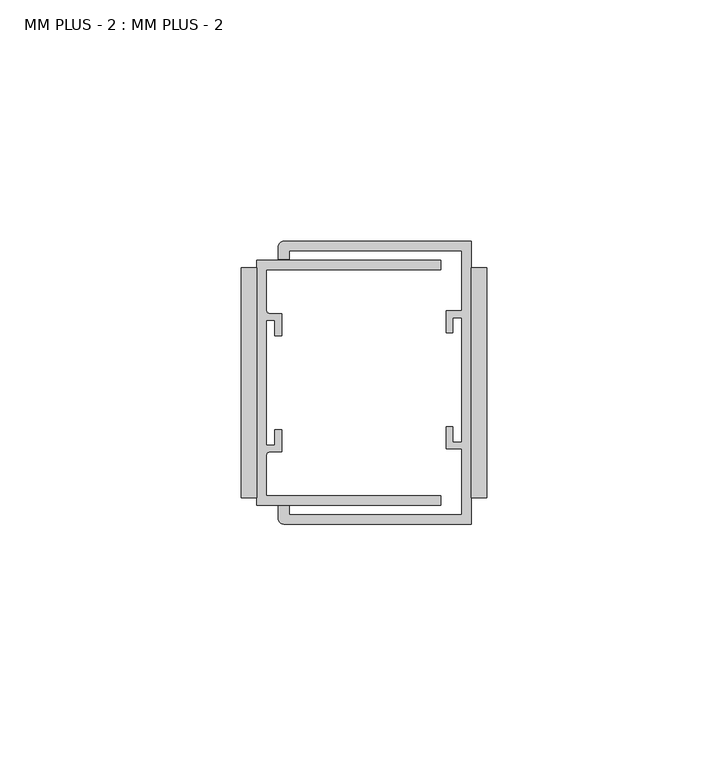
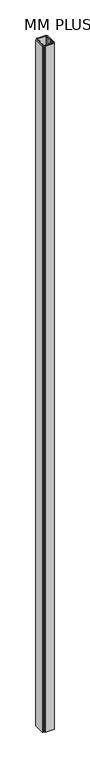
"""IFC4 building model written with IfcOpenShell, lengths in millimetres: proxy geometry, MM PLUS - 2 : MM PLUS - 2."""

import ifcopenshell
import ifcopenshell.guid

model = None  # the IFC model being written
_history = None  # IfcOwnerHistory: only IFC2X3 demands one
_inside = {}  # id of a spatial element -> (the spatial element, [elements in it])
_under = {}  # id of a project, library or spatial element -> (it, [spatial elements below it])
_declared = {}  # id of a project -> (the project, [libraries it declares])
_typed = {}  # id of a type object -> (the type object, [elements of that type])
_made_of = {}  # id of a material, layer set ... -> (it, [elements and type objects made of it])


def new_model(schema):
    """Start an empty IFC model of exactly this schema.

    Asked for "IFC4X3", IfcOpenShell would pick the latest addendum, in which some entities
    have other attributes; the version numbers below select the first issue.
    IFC2X3 requires an IfcOwnerHistory on every rooted entity: one is made here for all.
    """
    global model, _history
    if schema == "IFC4X3":
        model = ifcopenshell.file(schema_version=(4, 3, 0, 0))
    else:
        model = ifcopenshell.file(schema=schema)
    _inside.clear()
    _under.clear()
    _declared.clear()
    _typed.clear()
    _made_of.clear()
    _history = None
    if model.schema == "IFC2X3":
        org = make("IfcOrganization", Name="unknown")
        user = make(
            "IfcPersonAndOrganization",
            ThePerson=make("IfcPerson", FamilyName="unknown"),
            TheOrganization=org,
        )
        app = make(
            "IfcApplication",
            ApplicationDeveloper=org,
            Version="unknown",
            ApplicationFullName="unknown",
            ApplicationIdentifier="unknown",
        )
        _history = make(
            "IfcOwnerHistory",
            OwningUser=user,
            OwningApplication=app,
            ChangeAction="ADDED",
            CreationDate=0,
        )
    return model


def make(cls, **values):
    """One entity of the class cls with the attributes given. An attribute that is None is left unset."""
    return model.create_entity(
        cls, **{name: value for name, value in values.items() if value is not None}
    )


def rooted(cls, **values):
    """An entity with a GlobalId (a new one), such as an element, a storey or a relation."""
    return make(cls, GlobalId=ifcopenshell.guid.new(), OwnerHistory=_history, **values)


def si_unit(unit_type, name, prefix=None):
    """IfcSIUnit, for example si_unit("LENGTHUNIT", "METRE", prefix="MILLI")."""
    return make("IfcSIUnit", UnitType=unit_type, Prefix=prefix, Name=name)


def assignment(units):
    """IfcUnitAssignment: the units of a project."""
    return None if units is None else make("IfcUnitAssignment", Units=units)


def point(xyz):
    """IfcCartesianPoint."""
    return None if xyz is None else make("IfcCartesianPoint", Coordinates=xyz)


def direction(xyz):
    """IfcDirection."""
    return None if xyz is None else make("IfcDirection", DirectionRatios=xyz)


def frame(location, z_axis=None, x_axis=None):
    """IfcAxis2Placement3D, a coordinate frame: its origin and axes. An axis left out is left unset."""
    return make(
        "IfcAxis2Placement3D",
        Location=point(location),
        Axis=direction(z_axis),
        RefDirection=direction(x_axis),
    )


def frame_2d(location, x_axis=None):
    """IfcAxis2Placement2D, a coordinate frame in the plane: its origin and x axis."""
    return make(
        "IfcAxis2Placement2D", Location=point(location), RefDirection=direction(x_axis)
    )


def origin():
    """The frame at (0, 0, 0) with its axes left unset."""
    return frame((0.0, 0.0, 0.0))


def origin_with_axes():
    """The frame at (0, 0, 0) with the z axis (0, 0, 1) and the x axis (1, 0, 0) written out."""
    return frame((0.0, 0.0, 0.0), z_axis=(0.0, 0.0, 1.0), x_axis=(1.0, 0.0, 0.0))


def place(relative_to, where):
    """IfcLocalPlacement: puts the frame where relative to a parent placement (None: the world)."""
    return make(
        "IfcLocalPlacement", PlacementRelTo=relative_to, RelativePlacement=where
    )


def context(
    kind, dimensions, precision=None, world=None, true_north=None, identifier=None
):
    """IfcGeometricRepresentationContext, for example the 3D "Model" context."""
    return make(
        "IfcGeometricRepresentationContext",
        ContextIdentifier=identifier,
        ContextType=kind,
        CoordinateSpaceDimension=dimensions,
        Precision=precision,
        WorldCoordinateSystem=world,
        TrueNorth=true_north,
    )


def project(units=None, contexts=None):
    """IfcProject with its units and contexts."""
    return rooted(
        "IfcProject",
        Name="project",
        RepresentationContexts=contexts,
        UnitsInContext=assignment(units),
    )


def spatial(cls, under=None, at=None, **own):
    """A site, building, storey or space (cls), placed at a placement, below another one or the project."""
    s = rooted(cls, ObjectPlacement=at, **own)
    if under is not None:
        _under.setdefault(under.id(), (under, []))[1].append(s)
    return s


def polyline(points):
    """IfcPolyline through the points."""
    return make("IfcPolyline", Points=[point(p) for p in points])


def circle_curve(where, radius):
    """IfcCircle in the frame where."""
    return make("IfcCircle", Position=where, Radius=radius)


def trimmed(basis, trim1, trim2, sense, master):
    """IfcTrimmedCurve: the piece of a basis curve between two trims."""
    return make(
        "IfcTrimmedCurve",
        BasisCurve=basis,
        Trim1=trim1,
        Trim2=trim2,
        SenseAgreement=sense,
        MasterRepresentation=master,
    )


def segment(curve, same_sense, transition):
    """IfcCompositeCurveSegment."""
    return make(
        "IfcCompositeCurveSegment",
        Transition=transition,
        SameSense=same_sense,
        ParentCurve=curve,
    )


def composite_curve(segments, self_intersect=None):
    """IfcCompositeCurve: segments joined end to end."""
    return make("IfcCompositeCurve", Segments=segments, SelfIntersect=self_intersect)


def outline(outer, holes=None, kind="AREA"):
    """IfcArbitraryClosedProfileDef: a profile drawn as a closed curve; with holes, ...WithVoids."""
    if holes is None:
        return make("IfcArbitraryClosedProfileDef", ProfileType=kind, OuterCurve=outer)
    return make(
        "IfcArbitraryProfileDefWithVoids",
        ProfileType=kind,
        OuterCurve=outer,
        InnerCurves=holes,
    )


def extrude(swept, where, along, depth):
    """IfcExtrudedAreaSolid: the profile swept, set in the frame where, extruded along a direction by depth."""
    return make(
        "IfcExtrudedAreaSolid",
        SweptArea=swept,
        Position=where,
        ExtrudedDirection=direction(along),
        Depth=depth,
    )


def shape(context_of_items, identifier, shape_type, items):
    """IfcShapeRepresentation: the items that make up one representation, for example the "Body"."""
    return make(
        "IfcShapeRepresentation",
        ContextOfItems=context_of_items,
        RepresentationIdentifier=identifier,
        RepresentationType=shape_type,
        Items=items,
    )


def source(mapping_origin, context_of_items, identifier, shape_type, items):
    """IfcRepresentationMap: a shape defined once, which mapped items show again and again."""
    return make(
        "IfcRepresentationMap",
        MappingOrigin=mapping_origin,
        MappedRepresentation=shape(context_of_items, identifier, shape_type, items),
    )


def transform(
    local_origin,
    x_axis=None,
    y_axis=None,
    z_axis=None,
    scale=None,
    scale2=None,
    scale3=None,
    uniform=True,
):
    """IfcCartesianTransformationOperator3D, or its non-uniform kind. x_axis, y_axis, z_axis: its Axis1, 2, 3."""
    if uniform:
        return make(
            "IfcCartesianTransformationOperator3D",
            Axis1=direction(x_axis),
            Axis2=direction(y_axis),
            LocalOrigin=point(local_origin),
            Scale=scale,
            Axis3=direction(z_axis),
        )
    return make(
        "IfcCartesianTransformationOperator3DnonUniform",
        Axis1=direction(x_axis),
        Axis2=direction(y_axis),
        LocalOrigin=point(local_origin),
        Scale=scale,
        Axis3=direction(z_axis),
        Scale2=scale2,
        Scale3=scale3,
    )


def mapped(mapping_source, mapping_target):
    """IfcMappedItem: shows the shape of a source again, moved by a transform."""
    return make(
        "IfcMappedItem", MappingSource=mapping_source, MappingTarget=mapping_target
    )


def made_of(thing, what):
    """Note that an element or type object is made of a material, layer set ...; save() writes the relation."""
    if what is not None:
        _made_of.setdefault(what.id(), (what, []))[1].append(thing)
    return thing


def element(
    cls,
    number,
    at=None,
    inside=None,
    cuts=None,
    type_object=None,
    material=None,
    context=None,
    identifier="Body",
    shape_type=None,
    held_by="IfcProductDefinitionShape",
    body=None,
    shapes=None,
    **own,
):
    """One element of the class cls, such as IfcWall. Its Tag is "e" and its number.

    at: its placement. inside: the storey or other place that contains it. cuts: it is an
    opening in that element (IfcRelVoidsElement). A single representation is given by context,
    identifier, shape_type and body (its items); several are given by shapes. held_by: the class
    of the entity that holds the representations. save() writes the other relations.
    """
    e = rooted(cls, Tag="e%d" % number, ObjectPlacement=at, **own)
    if body is not None:
        shapes = [shape(context, identifier, shape_type, body)]
    if shapes is not None:
        e.Representation = make(held_by, Representations=shapes)
    if inside is not None:
        _inside.setdefault(inside.id(), (inside, []))[1].append(e)
    if cuts is not None:
        rooted(
            "IfcRelVoidsElement", RelatingBuildingElement=cuts, RelatedOpeningElement=e
        )
    if type_object is not None:
        _typed.setdefault(type_object.id(), (type_object, []))[1].append(e)
    return made_of(e, material)


def aggregate(whole, parts):
    """IfcRelAggregates: a whole, such as a stair, and the parts it consists of."""
    return rooted("IfcRelAggregates", RelatingObject=whole, RelatedObjects=parts)


def save(model, path):
    """Write the relations noted so far, then the file.

    IfcRelAggregates (storeys below a building ...), IfcRelContainedInSpatialStructure (elements
    in a storey), IfcRelDefinesByType, IfcRelAssociatesMaterial and IfcRelDeclares: one each for
    every whole, place, type object, material and project.
    """
    for whole, parts in _under.values():
        aggregate(whole, parts)
    for where, things in _inside.values():
        rooted(
            "IfcRelContainedInSpatialStructure",
            RelatedElements=things,
            RelatingStructure=where,
        )
    for kind, things in _typed.values():
        rooted("IfcRelDefinesByType", RelatedObjects=things, RelatingType=kind)
    for what, things in _made_of.values():
        rooted("IfcRelAssociatesMaterial", RelatedObjects=things, RelatingMaterial=what)
    for by, libraries in _declared.values():
        rooted("IfcRelDeclares", RelatingContext=by, RelatedDefinitions=libraries)
    model.write(path)


def mm_plus_2_mm_plus_2_30109e58(model_context):
    return source(origin(), model_context, "Body", "SweptSolid", [
        extrude(outline(polyline([(-3.175, 23.8125), (0.0, 23.8125), (0.0, -23.8125), (-3.175, -23.8125), (-3.175, 23.8125)])), origin_with_axes(), (0.0, 0.0, 1.0), 3048.0),
        extrude(outline(polyline([(-50.8, 23.8125), (-47.625, 23.8125), (-47.625, -23.8125), (-50.8, -23.8125), (-50.8, 23.8125)])), origin_with_axes(), (0.0, 0.0, 1.0), 3048.0),
        extrude(outline(composite_curve([segment(polyline([(-41.989375, 29.2862), (-3.175, 29.2862), (-3.175, -29.2862), (-41.989375, -29.2862)]), True, "CONTINUOUS"), segment(trimmed(circle_curve(frame_2d((-41.989375, -28.095575)), 1.190625), [point((-41.989375, -29.2862))], [point((-43.18, -28.095575))], False, "CARTESIAN"), True, "CONTINUOUS"), segment(polyline([(-43.18, -28.095575), (-43.18, -25.527), (-40.8835006, -25.527), (-40.8835006, -27.305), (-5.1562, -27.305), (-5.1562, -13.7024149), (-8.3312, -13.7024149), (-8.3312, -9.1355958), (-6.967, -9.1355958), (-6.967, -12.3105958), (-5.189, -12.3105958), (-5.189, 13.495805), (-6.9792436, 13.495805), (-6.9792436, 10.3136087), (-8.3683061, 10.3136087), (-8.3683061, 14.8979851), (-5.1562, 14.8979851), (-5.1562, 27.305), (-40.8835006, 27.305), (-40.8835006, 25.527), (-43.18, 25.527), (-43.18, 28.095575)]), True, "CONTINUOUS"), segment(trimmed(circle_curve(frame_2d((-41.989375, 28.095575)), 1.190625), [point((-43.18, 28.095575))], [point((-41.989375, 29.2862))], False, "CARTESIAN"), True, "CONTINUOUS")], self_intersect=False)), origin_with_axes(), (0.0, 0.0, 1.0), 3048.0),
        extrude(outline(composite_curve([segment(polyline([(-47.625, -25.4), (-47.625, 25.4), (-9.525, 25.4), (-9.525, 23.4188), (-45.6438, 23.4188), (-45.6438, 15.0569227)]), True, "CONTINUOUS"), segment(trimmed(circle_curve(frame_2d((-44.8818, 15.0569227)), 0.762), [point((-45.6438, 15.0569227))], [point((-44.8818, 14.2949227))], True, "CARTESIAN"), True, "CONTINUOUS"), segment(polyline([(-44.8818, 14.2949227), (-42.4688, 14.2949227), (-42.4688, 9.7229227), (-43.8658, 9.7229227), (-43.8658, 12.8979227), (-45.6438, 12.8979227), (-45.6438, -12.9084773), (-43.8658, -12.9084773), (-43.8658, -9.7334773), (-42.4688, -9.7334773), (-42.4688, -14.3054773), (-44.8818, -14.3054773)]), True, "CONTINUOUS"), segment(trimmed(circle_curve(frame_2d((-44.8818, -15.0674773)), 0.762), [point((-44.8818, -14.3054773))], [point((-45.6438, -15.0674773))], True, "CARTESIAN"), True, "CONTINUOUS"), segment(polyline([(-45.6438, -15.0674773), (-45.6438, -23.4188), (-9.525, -23.4188), (-9.525, -25.4), (-47.625, -25.4)]), True, "CONTINUOUS")], self_intersect=False)), origin_with_axes(), (0.0, 0.0, 1.0), 3048.0),
    ])


if __name__ == "__main__":
    model = new_model("IFC4")
    model_context = context("Model", 3, world=origin())
    ifc_project = project(units=[si_unit("LENGTHUNIT", "METRE", prefix="MILLI")], contexts=[model_context])
    site = spatial("IfcSite", under=ifc_project)
    building = spatial("IfcBuilding", under=site)
    placement = place(None, origin())
    mm_plus_2_mm_plus_2_shape = mm_plus_2_mm_plus_2_30109e58(model_context)
    element("IfcBuildingElementProxy", 1, Name="MM PLUS - 2 : MM PLUS - 2", ObjectType="MM PLUS - 2 : MM PLUS - 2", at=placement, inside=building, context=model_context, shape_type="MappedRepresentation", body=[
        mapped(mm_plus_2_mm_plus_2_shape, transform((0.0, 0.0, 0.0), x_axis=(1.0, 0.0, 0.0), y_axis=(0.0, 1.0, 0.0), z_axis=(0.0, 0.0, 1.0))),
    ])
    save(model, "model.ifc")
